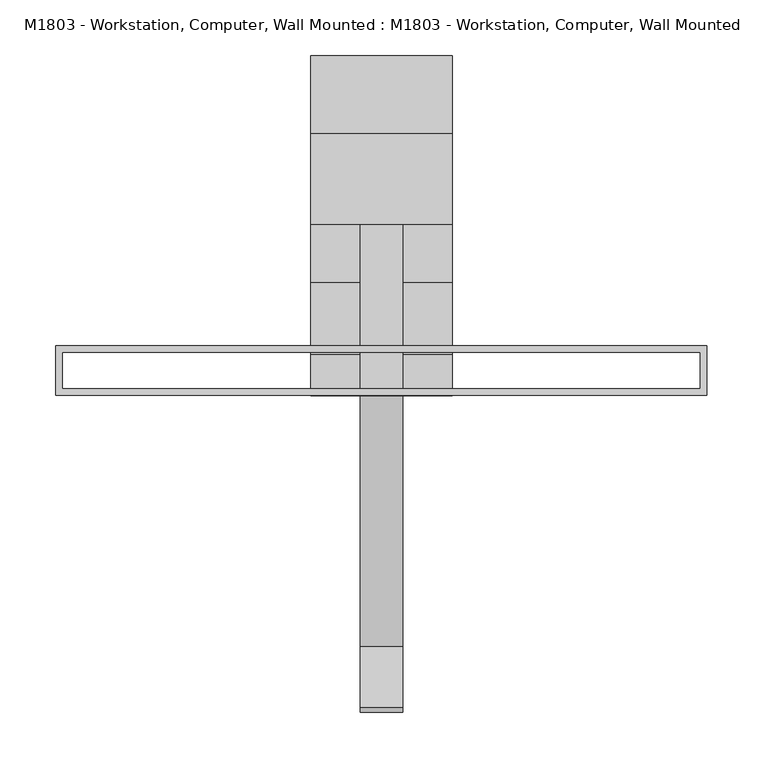
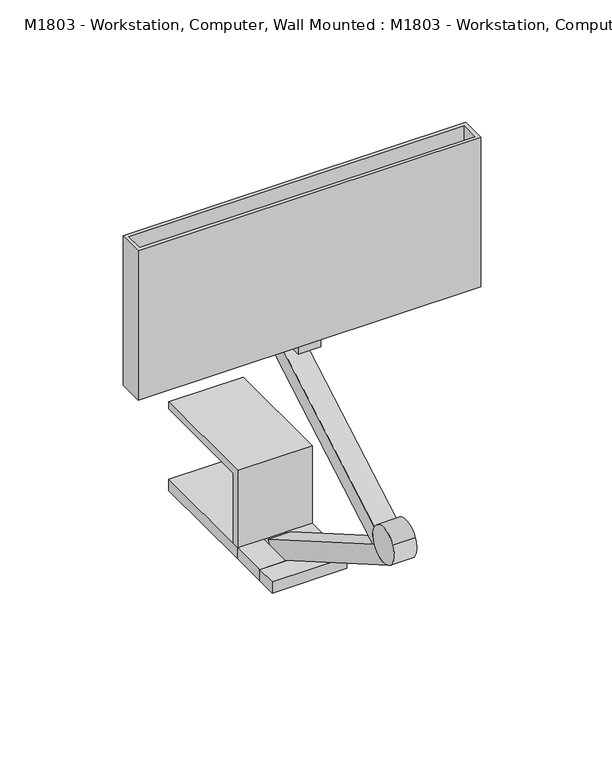
"""IFC4 building model written with IfcOpenShell, lengths in millimetres: proxy geometry, M1803 - Workstation, Computer, Wall Mounted : M1803 - Workstation, Computer, Wall Mounted."""

from ifc_helpers import new_model, si_unit, point, frame, frame_2d, origin, origin_with_axes, place, context, project, spatial, polyline, circle_curve, trimmed, segment, composite_curve, outline, extrude, source, transform, mapped, element, save


def m1803_workstation_computer_wall_mounted_m1803_workstation_02d7da1f(model_context):
    return source(origin(), model_context, "Body", "SweptSolid", [
        extrude(outline(polyline([(292.1, 44.45), (292.1, 0.0), (-292.1, 0.0), (-292.1, 44.45), (292.1, 44.45)]), holes=[polyline([(285.75, 38.1), (-285.75, 38.1), (-285.75, 6.35), (285.75, 6.35), (285.75, 38.1)])]), frame((0.0, 0.0, 427.99), z_axis=(0.0, 0.0, 1.0), x_axis=(1.0, 0.0, 0.0)), (0.0, 0.0, 1.0), 269.24),
        extrude(outline(polyline([(63.5, 153.4975917), (-63.5, 153.4975917), (-63.5, 234.95), (63.5, 234.95), (63.5, 153.4975917)])), frame((0.0, 0.0, 427.99), z_axis=(0.0, 0.0, 1.0), x_axis=(1.0, 0.0, 0.0)), (0.0, 0.0, 1.0), 12.7),
        extrude(outline(polyline([(19.05, 203.2), (19.05, 0.0), (-19.05, 0.0), (-19.05, 203.2), (19.05, 203.2)])), frame((0.0, 0.0, 415.29), z_axis=(0.0, 0.0, 1.0), x_axis=(1.0, 0.0, 0.0)), (0.0, 0.0, 1.0), 12.7),
        extrude(outline(composite_curve([segment(trimmed(circle_curve(frame_2d((-252.5524286, 224.79)), 31.75), [point((-280.0487352, 240.665))], [point((-225.0561221, 208.915))], False, "CARTESIAN"), True, "CONTINUOUS"), segment(trimmed(circle_curve(frame_2d((-252.5524286, 224.79)), 31.75), [point((-225.0561221, 208.915))], [point((-280.0487352, 240.665))], False, "CARTESIAN"), True, "CONTINUOUS")], self_intersect=False)), frame((-19.05, 0.0, 0.0), z_axis=(1.0, 0.0, 0.0), x_axis=(0.0, 1.0, 0.0)), (0.0, 0.0, 1.0), 38.1),
        extrude(outline(composite_curve([segment(polyline([(-225.0561221, 208.915), (88.2455686, 28.0301846), (72.3705686, 0.533878), (-268.4274286, 197.2936934)]), True, "CONTINUOUS"), segment(trimmed(circle_curve(frame_2d((-252.5524286, 224.79)), 31.75), [point((-268.4274286, 197.2936934))], [point((-225.0561221, 208.915))], True, "CARTESIAN"), True, "CONTINUOUS")], self_intersect=False)), frame((-19.05, 0.0, 0.0), z_axis=(1.0, 0.0, 0.0), x_axis=(0.0, 1.0, 0.0)), (0.0, 0.0, 1.0), 38.1),
        extrude(outline(composite_curve([segment(trimmed(circle_curve(frame_2d((-252.5524286, 224.79)), 31.75), [point((-236.6774286, 197.2936934))], [point((-225.0561221, 240.665))], True, "CARTESIAN"), True, "CONTINUOUS"), segment(polyline([(-225.0561221, 240.665), (77.4032502, 415.29), (93.2782502, 387.7936934), (-236.6774286, 197.2936934)]), True, "CONTINUOUS")], self_intersect=False)), frame((-19.05, 0.0, 0.0), z_axis=(1.0, 0.0, 0.0), x_axis=(0.0, 1.0, 0.0)), (0.0, 0.0, 1.0), 38.1),
        extrude(outline(polyline([(63.5, 36.4221334), (63.5, 0.0), (-63.5, 0.0), (-63.5, 36.4221334), (63.5, 36.4221334)])), origin_with_axes(), (0.0, 0.0, 1.0), 20.32),
        extrude(outline(polyline([(20.32, -63.5), (0.0, -63.5), (0.0, 63.5), (20.32, 63.5), (20.32, 19.05), (7.62, 19.05), (7.62, -19.05), (20.32, -19.05), (20.32, -63.5)])), frame((0.0, 36.4221334, 0.0), z_axis=(0.0, 1.0, 0.0), x_axis=(0.0, 0.0, 1.0)), (0.0, 0.0, 1.0), 65.1778666),
        extrude(outline(polyline([(114.3, 147.32), (114.3, 20.32), (101.6, 20.32), (101.6, 160.02), (304.8, 160.02), (304.8, 147.32), (114.3, 147.32)])), frame((-63.5, 0.0, 0.0), z_axis=(1.0, 0.0, 0.0), x_axis=(0.0, 1.0, 0.0)), (0.0, 0.0, 1.0), 127.0),
        extrude(outline(polyline([(63.5, 304.8), (63.5, 101.6), (-63.5, 101.6), (-63.5, 304.8), (63.5, 304.8)])), origin_with_axes(), (0.0, 0.0, 1.0), 20.32),
    ])


if __name__ == "__main__":
    model = new_model("IFC4")
    model_context = context("Model", 3, world=origin())
    ifc_project = project(units=[si_unit("LENGTHUNIT", "METRE", prefix="MILLI")], contexts=[model_context])
    site = spatial("IfcSite", under=ifc_project)
    building = spatial("IfcBuilding", under=site)
    placement = place(None, origin())
    m1803_workstation_computer_wall_mounted_m1803_workstation_shape = m1803_workstation_computer_wall_mounted_m1803_workstation_02d7da1f(model_context)
    element("IfcBuildingElementProxy", 1, Name="M1803 - Workstation, Computer, Wall Mounted : M1803 - Workstation, Computer, Wall Mounted", ObjectType="M1803 - Workstation, Computer, Wall Mounted : M1803 - Workstation, Computer, Wall Mounted", at=placement, inside=building, context=model_context, shape_type="MappedRepresentation", body=[
        mapped(m1803_workstation_computer_wall_mounted_m1803_workstation_shape, transform((0.0, 0.0, 0.0), x_axis=(1.0, 0.0, 0.0), y_axis=(0.0, 1.0, 0.0), z_axis=(0.0, 0.0, 1.0))),
    ])
    save(model, "model.ifc")
